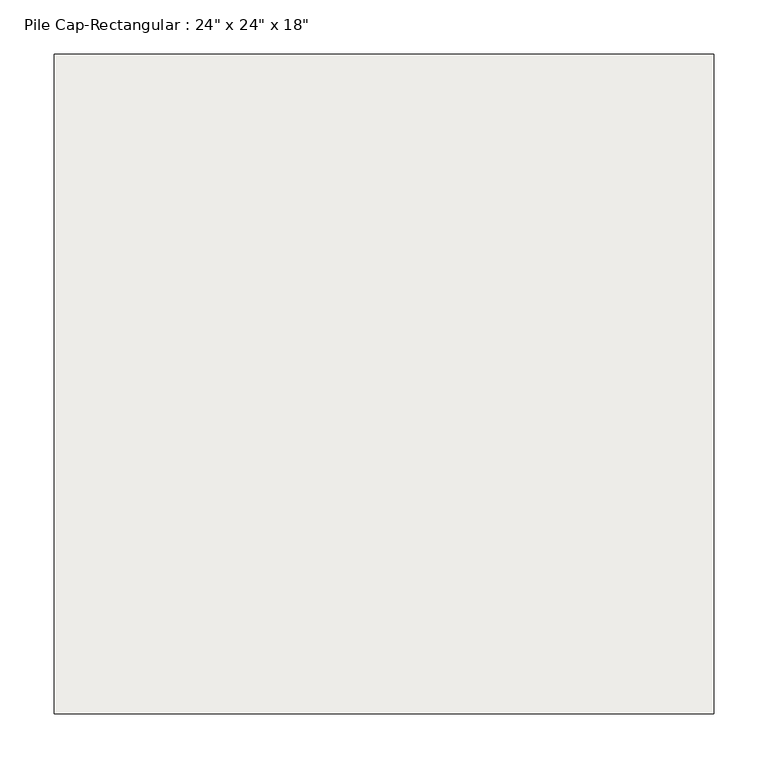
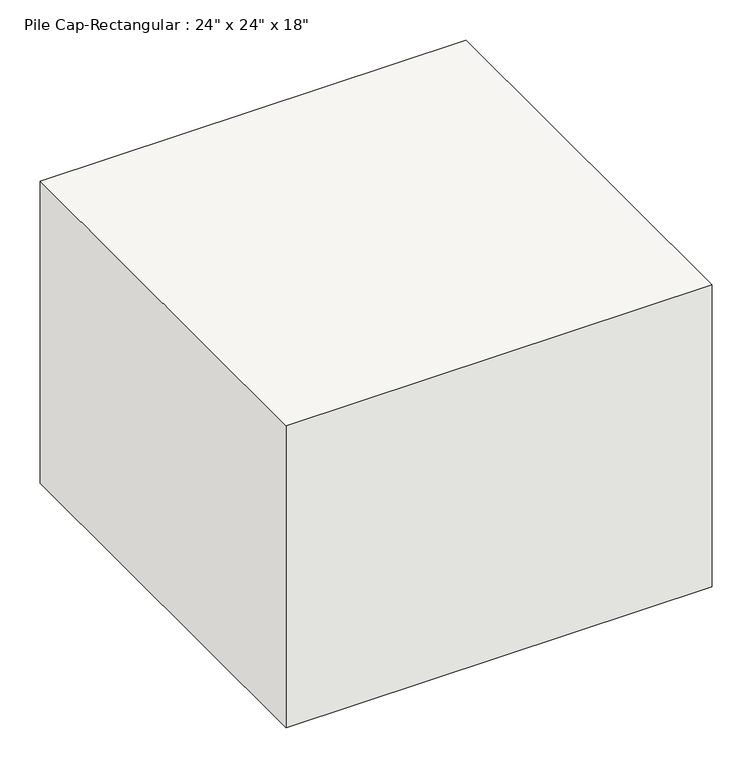
"""IFC4 building model written with IfcOpenShell, lengths in millimetres: slab geometry."""

import ifcopenshell
import ifcopenshell.guid

model = None  # the IFC model being written
_history = None  # IfcOwnerHistory: only IFC2X3 demands one
_inside = {}  # id of a spatial element -> (the spatial element, [elements in it])
_under = {}  # id of a project, library or spatial element -> (it, [spatial elements below it])
_declared = {}  # id of a project -> (the project, [libraries it declares])
_typed = {}  # id of a type object -> (the type object, [elements of that type])
_made_of = {}  # id of a material, layer set ... -> (it, [elements and type objects made of it])


def new_model(schema):
    """Start an empty IFC model of exactly this schema.

    Asked for "IFC4X3", IfcOpenShell would pick the latest addendum, in which some entities
    have other attributes; the version numbers below select the first issue.
    IFC2X3 requires an IfcOwnerHistory on every rooted entity: one is made here for all.
    """
    global model, _history
    if schema == "IFC4X3":
        model = ifcopenshell.file(schema_version=(4, 3, 0, 0))
    else:
        model = ifcopenshell.file(schema=schema)
    _inside.clear()
    _under.clear()
    _declared.clear()
    _typed.clear()
    _made_of.clear()
    _history = None
    if model.schema == "IFC2X3":
        org = make("IfcOrganization", Name="unknown")
        user = make(
            "IfcPersonAndOrganization",
            ThePerson=make("IfcPerson", FamilyName="unknown"),
            TheOrganization=org,
        )
        app = make(
            "IfcApplication",
            ApplicationDeveloper=org,
            Version="unknown",
            ApplicationFullName="unknown",
            ApplicationIdentifier="unknown",
        )
        _history = make(
            "IfcOwnerHistory",
            OwningUser=user,
            OwningApplication=app,
            ChangeAction="ADDED",
            CreationDate=0,
        )
    return model


def make(cls, **values):
    """One entity of the class cls with the attributes given. An attribute that is None is left unset."""
    return model.create_entity(
        cls, **{name: value for name, value in values.items() if value is not None}
    )


def rooted(cls, **values):
    """An entity with a GlobalId (a new one), such as an element, a storey or a relation."""
    return make(cls, GlobalId=ifcopenshell.guid.new(), OwnerHistory=_history, **values)


def si_unit(unit_type, name, prefix=None):
    """IfcSIUnit, for example si_unit("LENGTHUNIT", "METRE", prefix="MILLI")."""
    return make("IfcSIUnit", UnitType=unit_type, Prefix=prefix, Name=name)


def assignment(units):
    """IfcUnitAssignment: the units of a project."""
    return None if units is None else make("IfcUnitAssignment", Units=units)


def point(xyz):
    """IfcCartesianPoint."""
    return None if xyz is None else make("IfcCartesianPoint", Coordinates=xyz)


def direction(xyz):
    """IfcDirection."""
    return None if xyz is None else make("IfcDirection", DirectionRatios=xyz)


def frame(location, z_axis=None, x_axis=None):
    """IfcAxis2Placement3D, a coordinate frame: its origin and axes. An axis left out is left unset."""
    return make(
        "IfcAxis2Placement3D",
        Location=point(location),
        Axis=direction(z_axis),
        RefDirection=direction(x_axis),
    )


def origin():
    """The frame at (0, 0, 0) with its axes left unset."""
    return frame((0.0, 0.0, 0.0))


def place(relative_to, where):
    """IfcLocalPlacement: puts the frame where relative to a parent placement (None: the world)."""
    return make(
        "IfcLocalPlacement", PlacementRelTo=relative_to, RelativePlacement=where
    )


def context(
    kind, dimensions, precision=None, world=None, true_north=None, identifier=None
):
    """IfcGeometricRepresentationContext, for example the 3D "Model" context."""
    return make(
        "IfcGeometricRepresentationContext",
        ContextIdentifier=identifier,
        ContextType=kind,
        CoordinateSpaceDimension=dimensions,
        Precision=precision,
        WorldCoordinateSystem=world,
        TrueNorth=true_north,
    )


def project(units=None, contexts=None):
    """IfcProject with its units and contexts."""
    return rooted(
        "IfcProject",
        Name="project",
        RepresentationContexts=contexts,
        UnitsInContext=assignment(units),
    )


def spatial(cls, under=None, at=None, **own):
    """A site, building, storey or space (cls), placed at a placement, below another one or the project."""
    s = rooted(cls, ObjectPlacement=at, **own)
    if under is not None:
        _under.setdefault(under.id(), (under, []))[1].append(s)
    return s


def polyline(points):
    """IfcPolyline through the points."""
    return make("IfcPolyline", Points=[point(p) for p in points])


def outline(outer, holes=None, kind="AREA"):
    """IfcArbitraryClosedProfileDef: a profile drawn as a closed curve; with holes, ...WithVoids."""
    if holes is None:
        return make("IfcArbitraryClosedProfileDef", ProfileType=kind, OuterCurve=outer)
    return make(
        "IfcArbitraryProfileDefWithVoids",
        ProfileType=kind,
        OuterCurve=outer,
        InnerCurves=holes,
    )


def extrude(swept, where, along, depth):
    """IfcExtrudedAreaSolid: the profile swept, set in the frame where, extruded along a direction by depth."""
    return make(
        "IfcExtrudedAreaSolid",
        SweptArea=swept,
        Position=where,
        ExtrudedDirection=direction(along),
        Depth=depth,
    )


def shape(context_of_items, identifier, shape_type, items):
    """IfcShapeRepresentation: the items that make up one representation, for example the "Body"."""
    return make(
        "IfcShapeRepresentation",
        ContextOfItems=context_of_items,
        RepresentationIdentifier=identifier,
        RepresentationType=shape_type,
        Items=items,
    )


def source(mapping_origin, context_of_items, identifier, shape_type, items):
    """IfcRepresentationMap: a shape defined once, which mapped items show again and again."""
    return make(
        "IfcRepresentationMap",
        MappingOrigin=mapping_origin,
        MappedRepresentation=shape(context_of_items, identifier, shape_type, items),
    )


def transform(
    local_origin,
    x_axis=None,
    y_axis=None,
    z_axis=None,
    scale=None,
    scale2=None,
    scale3=None,
    uniform=True,
):
    """IfcCartesianTransformationOperator3D, or its non-uniform kind. x_axis, y_axis, z_axis: its Axis1, 2, 3."""
    if uniform:
        return make(
            "IfcCartesianTransformationOperator3D",
            Axis1=direction(x_axis),
            Axis2=direction(y_axis),
            LocalOrigin=point(local_origin),
            Scale=scale,
            Axis3=direction(z_axis),
        )
    return make(
        "IfcCartesianTransformationOperator3DnonUniform",
        Axis1=direction(x_axis),
        Axis2=direction(y_axis),
        LocalOrigin=point(local_origin),
        Scale=scale,
        Axis3=direction(z_axis),
        Scale2=scale2,
        Scale3=scale3,
    )


def mapped(mapping_source, mapping_target):
    """IfcMappedItem: shows the shape of a source again, moved by a transform."""
    return make(
        "IfcMappedItem", MappingSource=mapping_source, MappingTarget=mapping_target
    )


def made_of(thing, what):
    """Note that an element or type object is made of a material, layer set ...; save() writes the relation."""
    if what is not None:
        _made_of.setdefault(what.id(), (what, []))[1].append(thing)
    return thing


def element(
    cls,
    number,
    at=None,
    inside=None,
    cuts=None,
    type_object=None,
    material=None,
    context=None,
    identifier="Body",
    shape_type=None,
    held_by="IfcProductDefinitionShape",
    body=None,
    shapes=None,
    **own,
):
    """One element of the class cls, such as IfcWall. Its Tag is "e" and its number.

    at: its placement. inside: the storey or other place that contains it. cuts: it is an
    opening in that element (IfcRelVoidsElement). A single representation is given by context,
    identifier, shape_type and body (its items); several are given by shapes. held_by: the class
    of the entity that holds the representations. save() writes the other relations.
    """
    e = rooted(cls, Tag="e%d" % number, ObjectPlacement=at, **own)
    if body is not None:
        shapes = [shape(context, identifier, shape_type, body)]
    if shapes is not None:
        e.Representation = make(held_by, Representations=shapes)
    if inside is not None:
        _inside.setdefault(inside.id(), (inside, []))[1].append(e)
    if cuts is not None:
        rooted(
            "IfcRelVoidsElement", RelatingBuildingElement=cuts, RelatedOpeningElement=e
        )
    if type_object is not None:
        _typed.setdefault(type_object.id(), (type_object, []))[1].append(e)
    return made_of(e, material)


def aggregate(whole, parts):
    """IfcRelAggregates: a whole, such as a stair, and the parts it consists of."""
    return rooted("IfcRelAggregates", RelatingObject=whole, RelatedObjects=parts)


def save(model, path):
    """Write the relations noted so far, then the file.

    IfcRelAggregates (storeys below a building ...), IfcRelContainedInSpatialStructure (elements
    in a storey), IfcRelDefinesByType, IfcRelAssociatesMaterial and IfcRelDeclares: one each for
    every whole, place, type object, material and project.
    """
    for whole, parts in _under.values():
        aggregate(whole, parts)
    for where, things in _inside.values():
        rooted(
            "IfcRelContainedInSpatialStructure",
            RelatedElements=things,
            RelatingStructure=where,
        )
    for kind, things in _typed.values():
        rooted("IfcRelDefinesByType", RelatedObjects=things, RelatingType=kind)
    for what, things in _made_of.values():
        rooted("IfcRelAssociatesMaterial", RelatedObjects=things, RelatingMaterial=what)
    for by, libraries in _declared.values():
        rooted("IfcRelDeclares", RelatingContext=by, RelatedDefinitions=libraries)
    model.write(path)


def slab_7414108b(model_context):
    return source(origin(), model_context, "Body", "SweptSolid", [
        extrude(outline(polyline([(304.8, 304.8), (304.8, -304.8), (-304.8, -304.8), (-304.8, 304.8), (304.8, 304.8)])), frame((0.0, 0.0, -457.2), z_axis=(0.0, 0.0, 1.0), x_axis=(1.0, 0.0, 0.0)), (0.0, 0.0, 1.0), 457.2),
    ])


if __name__ == "__main__":
    model = new_model("IFC4")
    model_context = context("Model", 3, world=origin())
    ifc_project = project(units=[si_unit("LENGTHUNIT", "METRE", prefix="MILLI")], contexts=[model_context])
    site = spatial("IfcSite", under=ifc_project)
    building = spatial("IfcBuilding", under=site)
    placement = place(None, origin())
    slab_shape = slab_7414108b(model_context)
    element("IfcSlab", 1, ObjectType="Pile Cap-Rectangular : 24\" x 24\" x 18\"", at=placement, inside=building, context=model_context, shape_type="MappedRepresentation", body=[
        mapped(slab_shape, transform((0.0, 0.0, 0.0), x_axis=(1.0, 0.0, 0.0), y_axis=(0.0, 1.0, 0.0), z_axis=(0.0, 0.0, 1.0))),
    ])
    save(model, "model.ifc")
